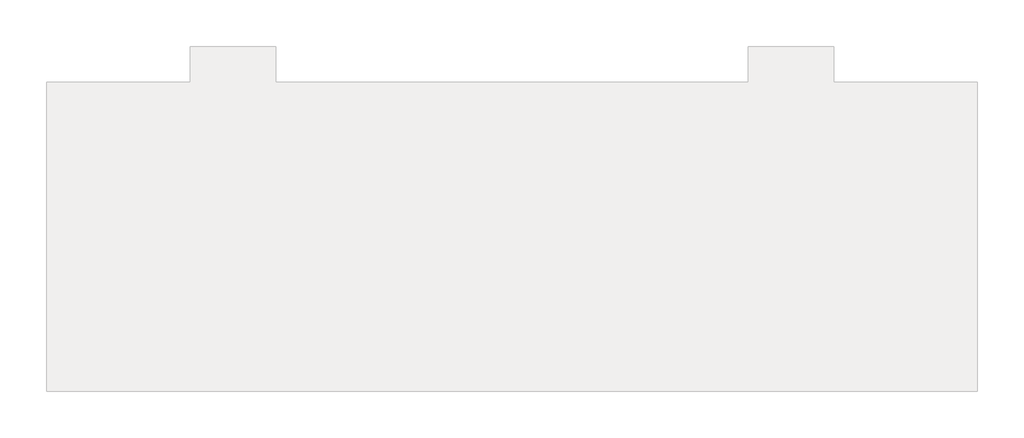
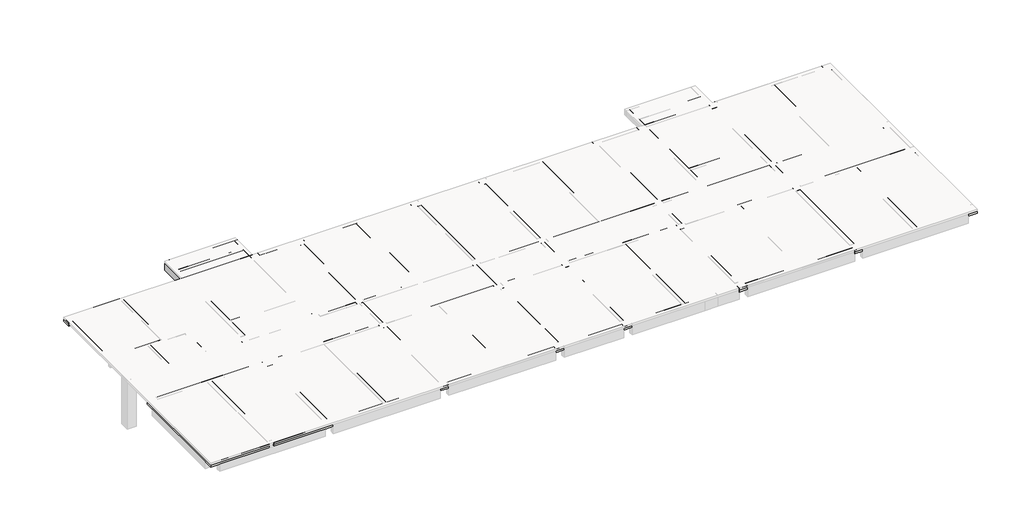
# One storey, part 2 of 3: 10 beams, 1 slab.
"""IFC4 building model written with IfcOpenShell, lengths in millimetres."""

from ifc_helpers import new_model, si_unit, origin, place, context, project, spatial, faceted_brep, element, save

model = new_model("IFC4")

# Units and contexts
model_context = context("Model", 3, world=origin())
ifc_project = project(units=[si_unit("LENGTHUNIT", "METRE", prefix="MILLI")], contexts=[model_context])

# Site, building, storey
site = spatial("IfcSite", under=ifc_project)
building = spatial("IfcBuilding", under=site)
storey = spatial("IfcBuildingStorey", under=building, Elevation=4000.0)

# Beams
placement = place(None, origin())
element("IfcBeam", 1, at=placement, inside=storey, context=model_context, shape_type="Brep", body=[
    faceted_brep([(-10280.1125676, 12943.5678722, 4000.0), (-10280.1125676, 13193.5678722, 4000.0), (-15430.1125676, 13193.5678722, 4000.0), (-15430.1125676, 12943.5678722, 4000.0), (-10530.1125676, 12943.5678722, 4000.0), (-10280.1125676, 12943.5678722, 3550.0), (-15430.1125676, 12943.5678722, 3700.0), (-15430.1125676, 12943.5678722, 3550.0), (-10530.1125676, 12943.5678722, 3550.0), (-10280.1125676, 13193.5678722, 3550.0), (-15430.1125676, 13193.5678722, 3550.0)], [[[0, 1, 2, 3, 4]], [[5, 0, 4, 3, 6, 7, 8]], [[9, 5, 8, 7, 10]], [[1, 9, 10, 2]], [[1, 0, 5, 9]], [[3, 2, 10, 7, 6]]]),
])
element("IfcBeam", 2, at=placement, inside=storey, context=model_context, shape_type="Brep", body=[
    faceted_brep([(-10530.1125676, 11643.5678724, 4000.0), (-10530.1125676, 11893.5678724, 4000.0), (-15430.1125676, 11893.5678724, 4000.0), (-15430.1125676, 11643.5678724, 4000.0), (-10530.1125676, 11643.5678724, 3550.0), (-10530.1125676, 11643.5678724, 3700.0), (-15430.1125676, 11643.5678724, 3700.0), (-15430.1125676, 11643.5678724, 3550.0), (-10530.1125676, 11893.5678724, 3550.0), (-15430.1125676, 11893.5678724, 3550.0), (-10530.1125676, 11893.5678724, 3700.0), (-15430.1125676, 11893.5678724, 3700.0)], [[[0, 1, 2, 3]], [[4, 5, 0, 3, 6, 7]], [[8, 4, 7, 9]], [[1, 10, 8, 9, 11, 2]], [[1, 0, 5, 4, 8, 10]], [[3, 2, 11, 9, 7, 6]]]),
])
element("IfcBeam", 3, at=placement, inside=storey, context=model_context, shape_type="Brep", body=[
    faceted_brep([(-10530.1125676, 10893.5678722, 4000.0), (-10280.1125676, 10893.5678722, 4000.0), (-10280.1125676, 12943.5678722, 4000.0), (-10530.1125676, 12943.5678722, 4000.0), (-10530.1125676, 11893.5678724, 4000.0), (-10530.1125676, 11643.5678724, 4000.0), (-10530.1125676, 10893.5678722, 3550.0), (-10530.1125676, 10893.5678722, 3700.0), (-10530.1125676, 12943.5678722, 3700.0), (-10530.1125676, 12943.5678722, 3550.0), (-10530.1125676, 11893.5678724, 3550.0), (-10530.1125676, 11643.5678724, 3550.0), (-10280.1125676, 10893.5678722, 3550.0), (-10280.1125676, 12943.5678722, 3550.0)], [[[0, 1, 2, 3, 4, 5]], [[6, 7, 0, 5, 4, 3, 8, 9, 10, 11]], [[12, 6, 11, 10, 9, 13]], [[1, 12, 13, 2]], [[3, 2, 13, 9, 8]], [[1, 0, 7, 6, 12]]]),
])
element("IfcBeam", 4, at=placement, inside=storey, context=model_context, shape_type="Brep", body=[
    faceted_brep([(-10530.1125676, 10643.5678722, 4000.0), (-10530.1125676, 10893.5678722, 4000.0), (-15430.1125676, 10893.5678722, 4000.0), (-15430.1125676, 10643.5678722, 4000.0), (-10530.1125676, 10643.5678722, 3500.0), (-10530.1125676, 10643.5678722, 3700.0), (-15430.1125676, 10643.5678722, 3700.0), (-15430.1125676, 10643.5678722, 3500.0), (-10530.1125676, 10893.5678722, 3500.0), (-15430.1125676, 10893.5678722, 3500.0), (-10530.1125676, 10893.5678722, 3700.0), (-15430.1125676, 10893.5678722, 3700.0)], [[[0, 1, 2, 3]], [[4, 5, 0, 3, 6, 7]], [[8, 4, 7, 9]], [[1, 10, 8, 9, 11, 2]], [[2, 11, 9, 7, 6, 3]], [[1, 0, 5, 4, 8, 10]]]),
])
element("IfcBeam", 5, at=placement, inside=storey, context=model_context, shape_type="Brep", body=[
    faceted_brep([(-7080.1125676, 10593.5678722, 4000.0), (-7080.1125676, 10893.5678722, 4000.0), (-9880.1125676, 10893.5678722, 4000.0), (-9880.1125676, 10593.5678722, 4000.0), (-7080.1125676, 10593.5678722, 3100.0), (-7080.1125676, 10593.5678722, 3700.0), (-9880.1125676, 10593.5678722, 3700.0), (-9880.1125676, 10593.5678722, 3100.0), (-7080.1125676, 10893.5678722, 3100.0), (-9880.1125676, 10893.5678722, 3100.0), (-7080.1125676, 10893.5678722, 3700.0), (-9880.1125676, 10893.5678722, 3700.0)], [[[0, 1, 2, 3]], [[4, 5, 0, 3, 6, 7]], [[8, 4, 7, 9]], [[1, 10, 8, 9, 11, 2]], [[2, 11, 9, 7, 6, 3]], [[1, 0, 5, 4, 8, 10]]]),
])
element("IfcBeam", 6, at=placement, inside=storey, context=model_context, shape_type="Brep", body=[
    faceted_brep([(1919.8874324, 10593.5678722, 4000.0), (1919.8874324, 10893.5678722, 4000.0), (-6430.1125676, 10893.5678722, 4000.0), (-6430.1125676, 10593.5678722, 4000.0), (1919.8874324, 10593.5678722, 3100.0), (1919.8874324, 10593.5678722, 3700.0), (-6430.1125676, 10593.5678722, 3700.0), (-6430.1125676, 10593.5678722, 3100.0), (1919.8874324, 10893.5678722, 3100.0), (-6430.1125676, 10893.5678722, 3100.0), (1919.8874324, 10893.5678722, 3700.0), (-6430.1125676, 10893.5678722, 3700.0)], [[[0, 1, 2, 3]], [[4, 5, 0, 3, 6, 7]], [[8, 4, 7, 9]], [[1, 10, 8, 9, 11, 2]], [[2, 11, 9, 7, 6, 3]], [[1, 0, 5, 4, 8, 10]]]),
])
element("IfcBeam", 7, at=placement, inside=storey, context=model_context, shape_type="Brep", body=[
    faceted_brep([(-15780.1125676, 10893.5678722, 4000.0), (-15430.1125676, 10893.5678722, 4000.0), (-15430.1125676, 11643.5678724, 4000.0), (-15430.1125676, 11893.5678724, 4000.0), (-15430.1125676, 12943.5678722, 4000.0), (-15430.1125676, 13193.5678722, 4000.0), (-15780.1125676, 13193.5678722, 4000.0), (-15780.1125676, 10893.5678722, 3250.0), (-15780.1125676, 13193.5678722, 3250.0), (-15430.1125676, 10893.5678722, 3250.0), (-15430.1125676, 13193.5678722, 3250.0), (-15430.1125676, 10893.5678722, 3700.0), (-15430.1125676, 13193.5678722, 3550.0)], [[[0, 1, 2, 3, 4, 5, 6]], [[7, 0, 6, 8]], [[9, 7, 8, 10]], [[1, 11, 9, 10, 12, 5, 4, 3, 2]], [[1, 0, 7, 9, 11]], [[6, 5, 12, 10, 8]]]),
])
element("IfcBeam", 8, at=placement, inside=storey, context=model_context, shape_type="Brep", body=[
    faceted_brep([(-2130.1125676, 10568.5678722, 4000.0), (-2130.1125676, 10568.5678722, 3700.0), (-2130.1125676, 10568.5678722, 3300.0), (-2380.1125676, 10568.5678722, 3300.0), (-2380.1125676, 10568.5678722, 3700.0), (-2380.1125676, 10568.5678722, 4000.0), (-2380.1125676, 2568.5678722, 4000.0), (-2130.1125676, 2568.5678722, 4000.0), (-2380.1125676, 2568.5678722, 3300.0), (-2380.1125676, 2568.5678722, 3700.0), (-2130.1125676, 2568.5678722, 3300.0), (-2130.1125676, 2568.5678722, 3700.0)], [[[0, 1, 2, 3, 4, 5]], [[0, 5, 6, 7]], [[5, 4, 3, 8, 9, 6]], [[3, 2, 10, 8]], [[2, 1, 0, 7, 11, 10]], [[7, 6, 9, 8, 10, 11]]]),
])
element("IfcBeam", 9, at=placement, inside=storey, context=model_context, shape_type="Brep", body=[
    faceted_brep([(2494.8874324, 2318.5678722, 4000.0), (2244.8874324, 2318.5678722, 4000.0), (2244.8874324, -381.4321278, 4000.0), (2494.8874324, -381.4321278, 4000.0), (2494.8874324, 2318.5678722, 3250.0), (2494.8874324, 2318.5678722, 3700.0), (2494.8874324, -381.4321278, 3700.0), (2494.8874324, -381.4321278, 3250.0), (2244.8874324, 2318.5678722, 3250.0), (2244.8874324, -381.4321278, 3250.0), (2244.8874324, 2318.5678722, 3700.0), (2244.8874324, -381.4321278, 3700.0)], [[[0, 1, 2, 3]], [[4, 5, 0, 3, 6, 7]], [[8, 4, 7, 9]], [[1, 10, 8, 9, 11, 2]], [[2, 11, 9, 7, 6, 3]], [[1, 0, 5, 4, 8, 10]]]),
])
element("IfcBeam", 10, ObjectType="KL4,250,750", at=placement, inside=storey, context=model_context, shape_type="Brep", body=[
    faceted_brep([(-6630.1125676, 10243.5678722, 4000.0), (-6880.1125676, 10243.5678722, 4000.0), (-6880.1125676, 2918.5678722, 4000.0), (-6630.1125676, 2918.5678722, 4000.0), (-6630.1125676, 10243.5678722, 3250.0), (-6630.1125676, 10243.5678722, 3700.0), (-6630.1125676, 2918.5678722, 3700.0), (-6630.1125676, 2918.5678722, 3250.0), (-6880.1125676, 10243.5678722, 3250.0), (-6880.1125676, 2918.5678722, 3250.0), (-6880.1125676, 10243.5678722, 3700.0), (-6880.1125676, 2918.5678722, 3700.0)], [[[0, 1, 2, 3]], [[4, 5, 0, 3, 6, 7]], [[8, 4, 7, 9]], [[1, 10, 8, 9, 11, 2]], [[1, 0, 5, 4, 8, 10]], [[2, 11, 9, 7, 6, 3]]]),
])

# Slab
element("IfcSlab", 11, at=placement, inside=storey, context=model_context, shape_type="Brep", body=[
    faceted_brep([(-10530.1125676, 11643.5678724, 3700.0), (-10530.1125676, 10893.5678722, 3700.0), (-15430.1125676, 10893.5678722, 3700.0), (-15430.1125676, 11643.5678724, 3700.0), (-21755.1125676, 2668.5678722, 3700.0), (-21555.1125676, 2668.5678722, 3700.0), (-21555.1125676, 5118.5678722, 3700.0), (-18880.1125676, 5118.5678722, 3700.0), (-18880.1125676, 2643.5678722, 3700.0), (-18680.1125676, 2643.5678722, 3700.0), (-18680.1125676, 5118.5678722, 3700.0), (-15780.1125676, 5118.5678722, 3700.0), (-15780.1125676, 4973.5678722, 3700.0), (-15780.1125676, 4723.5678722, 3700.0), (-15780.1125676, 2918.5678722, 3700.0), (-15430.1125676, 2918.5678722, 3700.0), (-15430.1125676, 4723.5678722, 3700.0), (-10530.1125676, 4723.5678722, 3700.0), (-10530.1125676, 2913.5678722, 3700.0), (-10280.1125676, 2913.5678722, 3700.0), (-10280.1125676, 10243.5678722, 3700.0), (-10530.1125676, 10243.5678722, 3700.0), (-10530.1125676, 4973.5678722, 3700.0), (-15430.1125676, 4973.5678722, 3700.0), (-15430.1125676, 10243.5678722, 3700.0), (-15780.1125676, 10243.5678722, 3700.0), (-15780.1125676, 5318.5678722, 3700.0), (-20455.1125676, 5318.5678722, 3700.0), (-20455.1125676, 10893.5678722, 3700.0), (-16080.1125676, 10893.5678722, 3700.0), (-15430.1125676, 10643.5678722, 3700.0), (-10530.1125676, 10643.5678722, 3700.0), (-9880.1125676, 10893.5678722, 3700.0), (-9880.1125676, 10593.5678722, 3700.0), (-7080.1125676, 10593.5678722, 3700.0), (-7080.1125676, 10893.5678722, 3700.0), (-6430.1125676, 10893.5678722, 3700.0), (-6430.1125676, 10593.5678722, 3700.0), (1919.8874324, 10593.5678722, 3700.0), (1919.8874324, 10893.5678722, 3700.0), (2569.8874324, 10893.5678722, 3700.0), (2569.8874324, 10593.5678722, 3700.0), (7219.8874324, 10593.5678722, 3700.0), (7219.8874324, 10893.5678722, 3700.0), (7869.8874324, 10893.5678722, 3700.0), (7869.8874324, 10593.5678722, 3700.0), (11919.8874324, 10593.5678722, 3700.0), (11919.8874324, 2568.5678722, 3700.0), (7819.8874324, 2568.5678722, 3700.0), (7819.8874324, 2318.5678722, 3700.0), (11919.8874324, 2318.5678722, 3700.0), (12169.8874324, 2318.5678722, 3700.0), (16259.8874324, 2318.5678722, 3700.0), (16259.8874324, 2568.5678722, 3700.0), (12169.8874324, 2568.5678722, 3700.0), (12169.8874324, 10593.5678722, 3700.0), (16219.8874324, 10593.5678722, 3700.0), (16219.8874324, 10893.5678722, 3700.0), (16869.8874324, 10893.5678722, 3700.0), (16869.8874324, 10593.5678722, 3700.0), (19669.8874324, 10593.5678722, 3700.0), (19669.8874324, 10893.5678722, 3700.0), (20319.8874324, 10893.5678722, 3700.0), (20319.8874324, 10643.5678722, 3700.0), (25219.8874324, 10643.5678722, 3700.0), (25219.8874324, 10893.5678722, 3700.0), (25869.8874324, 10893.5678722, 3700.0), (25869.8874324, 10593.5678722, 3700.0), (29844.8874324, 10593.5678722, 3700.0), (29844.8874324, 2568.5678722, 3700.0), (25794.8874324, 2568.5678722, 3700.0), (25794.8874324, 2318.5678722, 3700.0), (29844.8874324, 2318.5678722, 3700.0), (30244.8874324, 2318.5678722, 3700.0), (34094.8874324, 2318.5678722, 3700.0), (34094.8874324, 2568.5678722, 3700.0), (30244.8874324, 2568.5678722, 3700.0), (30244.8874324, 10593.5678722, 3700.0), (34094.8874324, 10593.5678722, 3700.0), (34094.8874324, 10893.5678722, 3700.0), (34794.8874324, 10893.5678722, 3700.0), (34794.8874324, 10193.5678722, 3700.0), (34494.8874324, 10193.5678722, 3700.0), (34494.8874324, 3018.5678722, 3700.0), (34794.8874324, 3018.5678722, 3700.0), (34794.8874324, 2318.5678722, 3700.0), (34494.8874324, 2318.5678722, 3700.0), (34494.8874324, -381.4321278, 3700.0), (34794.8874324, -381.4321278, 3700.0), (34794.8874324, -1081.4321278, 3700.0), (34494.8874324, -1081.4321278, 3700.0), (34494.8874324, -8256.4321278, 3700.0), (34794.8874324, -8256.4321278, 3700.0), (34794.8874324, -8956.4321278, 3700.0), (34094.8874324, -8956.4321278, 3700.0), (34094.8874324, -8656.4321278, 3700.0), (30219.8874324, -8656.4321278, 3700.0), (30219.8874324, -631.4321278, 3700.0), (34094.8874324, -631.4321278, 3700.0), (34094.8874324, -381.4321278, 3700.0), (30219.8874324, -381.4321278, 3700.0), (29869.8874324, -381.4321278, 3700.0), (25814.8874324, -381.4321278, 3700.0), (25814.8874324, -631.4321278, 3700.0), (29869.8874324, -631.4321278, 3700.0), (29869.8874324, -8656.4321278, 3700.0), (25869.8874324, -8656.4321278, 3700.0), (25869.8874324, -8956.4321278, 3700.0), (25219.8874324, -8956.4321278, 3700.0), (25219.8874324, -8656.4321278, 3700.0), (21169.8874324, -8656.4321278, 3700.0), (21169.8874324, -631.4321278, 3700.0), (25219.8874324, -631.4321278, 3700.0), (25219.8874324, -381.4321278, 3700.0), (25569.8874324, -381.4321278, 3700.0), (25569.8874324, 2318.5678722, 3700.0), (25219.8874324, 2318.5678722, 3700.0), (25219.8874324, 2568.5678722, 3700.0), (20319.8874324, 2568.5678722, 3700.0), (20319.8874324, 2318.5678722, 3700.0), (21169.8874324, -381.4321278, 3700.0), (20919.8874324, -381.4321278, 3700.0), (16839.8874324, -381.4321278, 3700.0), (16839.8874324, -631.4321278, 3700.0), (20919.8874324, -631.4321278, 3700.0), (20919.8874324, -8656.4321278, 3700.0), (16869.8874324, -8656.4321278, 3700.0), (16869.8874324, -8956.4321278, 3700.0), (16219.8874324, -8956.4321278, 3700.0), (16219.8874324, -8656.4321278, 3700.0), (12169.8874324, -8656.4321278, 3700.0), (12169.8874324, -631.4321278, 3700.0), (16244.8874324, -631.4321278, 3700.0), (16244.8874324, -381.4321278, 3700.0), (12169.8874324, -381.4321278, 3700.0), (11919.8874324, -381.4321278, 3700.0), (7819.8874324, -381.4321278, 3700.0), (7819.8874324, -631.4321278, 3700.0), (11919.8874324, -631.4321278, 3700.0), (11919.8874324, -8656.4321278, 3700.0), (7869.8874324, -8656.4321278, 3700.0), (7869.8874324, -8956.4321278, 3700.0), (7219.8874324, -8956.4321278, 3700.0), (7219.8874324, -8656.4321278, 3700.0), (2569.8874324, -8656.4321278, 3700.0), (2569.8874324, -8956.4321278, 3700.0), (1919.8874324, -8956.4321278, 3700.0), (1919.8874324, -8656.4321278, 3700.0), (-2130.1125676, -8656.4321278, 3700.0), (-2130.1125676, -631.4321278, 3700.0), (1979.8874324, -631.4321278, 3700.0), (1979.8874324, -381.4321278, 3700.0), (-2130.1125676, -381.4321278, 3700.0), (-2380.1125676, -381.4321278, 3700.0), (-6460.1125676, -381.4321278, 3700.0), (-6460.1125676, -631.4321278, 3700.0), (-2380.1125676, -631.4321278, 3700.0), (-2380.1125676, -8656.4321278, 3700.0), (-6430.1125676, -8656.4321278, 3700.0), (-6430.1125676, -8956.4321278, 3700.0), (-7080.1125676, -8956.4321278, 3700.0), (-7080.1125676, -8656.4321278, 3700.0), (-11130.1125676, -8656.4321278, 3700.0), (-11130.1125676, -631.4321278, 3700.0), (-7050.1125676, -631.4321278, 3700.0), (-7050.1125676, -381.4321278, 3700.0), (-11130.1125676, -381.4321278, 3700.0), (-11380.1125676, -381.4321278, 3700.0), (-15430.1125676, -381.4321278, 3700.0), (-15430.1125676, -631.4321278, 3700.0), (-11380.1125676, -631.4321278, 3700.0), (-11380.1125676, -8656.4321278, 3700.0), (-15430.1125676, -8656.4321278, 3700.0), (-15430.1125676, -8956.4321278, 3700.0), (-16080.1125676, -8956.4321278, 3700.0), (-20080.1125676, -8956.4321278, 3700.0), (-20080.1125676, -631.4321278, 3700.0), (-16025.1125676, -631.4321278, 3700.0), (-16025.1125676, -381.4321278, 3700.0), (-20080.1125676, -381.4321278, 3700.0), (-20430.1125676, -381.4321278, 3700.0), (-24305.1125676, -381.4321278, 3700.0), (-24305.1125676, -631.4321278, 3700.0), (-20430.1125676, -631.4321278, 3700.0), (-20430.1125676, -8956.4321278, 3700.0), (-24305.1125676, -8956.4321278, 3700.0), (-25005.1125676, -8956.4321278, 3700.0), (-25005.1125676, -8256.4321278, 3700.0), (-25005.1125676, -1081.4321278, 3700.0), (-25005.1125676, -381.4321278, 3700.0), (-24705.1125676, -381.4321278, 3700.0), (-24705.1125676, 2318.5678722, 3700.0), (-25005.1125676, 2318.5678722, 3700.0), (-25005.1125676, 3018.5678722, 3700.0), (-24705.1125676, 3018.5678722, 3700.0), (-24705.1125676, 5118.5678722, 3700.0), (-21755.1125676, 5118.5678722, 3700.0), (-24305.1125676, 2318.5678722, 3700.0), (-16025.1125676, 2318.5678722, 3700.0), (-16025.1125676, 2568.5678722, 3700.0), (-24305.1125676, 2568.5678722, 3700.0), (-15430.1125676, 2318.5678722, 3700.0), (-10530.1125676, 2318.5678722, 3700.0), (-10530.1125676, 2568.5678722, 3700.0), (-15430.1125676, 2568.5678722, 3700.0), (-9935.1125676, 2318.5678722, 3700.0), (-7055.1125676, 2318.5678722, 3700.0), (-7055.1125676, 2568.5678722, 3700.0), (-9935.1125676, 2568.5678722, 3700.0), (-6460.1125676, 2568.5678722, 3700.0), (-6460.1125676, 2318.5678722, 3700.0), (-2380.1125676, 2318.5678722, 3700.0), (-2130.1125676, 2318.5678722, 3700.0), (1979.8874324, 2318.5678722, 3700.0), (1979.8874324, 2568.5678722, 3700.0), (-2130.1125676, 2568.5678722, 3700.0), (-2130.1125676, 10568.5678722, 3700.0), (-2380.1125676, 10568.5678722, 3700.0), (-2380.1125676, 2568.5678722, 3700.0), (2569.8874324, 2318.5678722, 3700.0), (7219.8874324, 2318.5678722, 3700.0), (7219.8874324, 2568.5678722, 3700.0), (2569.8874324, 2568.5678722, 3700.0), (16829.8874324, 2318.5678722, 3700.0), (19729.8874324, 2318.5678722, 3700.0), (19729.8874324, 2568.5678722, 3700.0), (16829.8874324, 2568.5678722, 3700.0), (2569.8874324, -631.4321278, 3700.0), (7219.8874324, -631.4321278, 3700.0), (7219.8874324, -381.4321278, 3700.0), (2569.8874324, -381.4321278, 3700.0), (-15930.1125676, -981.4321278, 3700.0), (-15930.1125676, -8306.4321278, 3700.0), (-15580.1125676, -8306.4321278, 3700.0), (-15580.1125676, -981.4321278, 3700.0), (-6880.1125676, -981.4321278, 3700.0), (-6880.1125676, -8306.4321278, 3700.0), (-6630.1125676, -8306.4321278, 3700.0), (-6630.1125676, -981.4321278, 3700.0), (-6630.1125676, -381.4321278, 3700.0), (-6630.1125676, 2318.5678722, 3700.0), (-6880.1125676, 2318.5678722, 3700.0), (-6880.1125676, -381.4321278, 3700.0), (-6630.1125676, 2918.5678722, 3700.0), (-6630.1125676, 10243.5678722, 3700.0), (-6880.1125676, 10243.5678722, 3700.0), (-6880.1125676, 2918.5678722, 3700.0), (2469.8874324, -8306.4321278, 3700.0), (2469.8874324, -966.4321278, 3700.0), (2219.8874324, -966.4321278, 3700.0), (2219.8874324, -8306.4321278, 3700.0), (7294.8874324, -966.4321278, 3700.0), (7294.8874324, -8306.4321278, 3700.0), (7544.8874324, -8306.4321278, 3700.0), (7544.8874324, -966.4321278, 3700.0), (2494.8874324, -381.4321278, 3700.0), (2494.8874324, 2318.5678722, 3700.0), (2244.8874324, 2318.5678722, 3700.0), (2244.8874324, -381.4321278, 3700.0), (2244.8874324, 10243.5678722, 3700.0), (2244.8874324, 2918.5678722, 3700.0), (2494.8874324, 2918.5678722, 3700.0), (2494.8874324, 10243.5678722, 3700.0), (7544.8874324, -381.4321278, 3700.0), (7544.8874324, 2318.5678722, 3700.0), (7294.8874324, 2318.5678722, 3700.0), (7294.8874324, -381.4321278, 3700.0), (7544.8874324, 2913.5678722, 3700.0), (7544.8874324, 10243.5678722, 3700.0), (7294.8874324, 10243.5678722, 3700.0), (7294.8874324, 2913.5678722, 3700.0), (16494.8874324, -8306.4321278, 3700.0), (16494.8874324, -966.4321278, 3700.0), (16244.8874324, -966.4321278, 3700.0), (16244.8874324, -8306.4321278, 3700.0), (16669.8874324, -381.4321278, 3700.0), (16669.8874324, 2318.5678722, 3700.0), (16419.8874324, 2318.5678722, 3700.0), (16419.8874324, -381.4321278, 3700.0), (16669.8874324, 2918.5678722, 3700.0), (16669.8874324, 10243.5678722, 3700.0), (16419.8874324, 10243.5678722, 3700.0), (16419.8874324, 2918.5678722, 3700.0), (20319.8874324, 10268.5678722, 3700.0), (20069.8874324, 10268.5678722, 3700.0), (20069.8874324, 4973.5678722, 3700.0), (20069.8874324, 4723.5678722, 3700.0), (20069.8874324, 2908.5678722, 3700.0), (20319.8874324, 2908.5678722, 3700.0), (20319.8874324, 4723.5678722, 3700.0), (25219.8874324, 4723.5678722, 3700.0), (25219.8874324, 2923.5678722, 3700.0), (25569.8874324, 2923.5678722, 3700.0), (25569.8874324, 10243.5678722, 3700.0), (25219.8874324, 10243.5678722, 3700.0), (25219.8874324, 4973.5678722, 3700.0), (20319.8874324, 4973.5678722, 3700.0), (25219.8874324, -966.4321278, 3700.0), (25219.8874324, -8306.4321278, 3700.0), (25569.8874324, -8306.4321278, 3700.0), (25569.8874324, -966.4321278, 3700.0), (20319.8874324, 11643.5678722, 3700.0), (25219.8874324, 11643.5678722, 3700.0), (-10530.1125676, 10893.5678722, 4000.0), (-10530.1125676, 11643.5678724, 4000.0), (-15430.1125676, 11643.5678724, 4000.0), (-15430.1125676, 10893.5678722, 4000.0), (-21555.1125676, 2668.5678722, 4000.0), (-21755.1125676, 2668.5678722, 4000.0), (-21755.1125676, 5118.5678722, 4000.0), (-24705.1125676, 5118.5678722, 4000.0), (-24705.1125676, 3018.5678722, 4000.0), (-25005.1125676, 3018.5678722, 4000.0), (-25005.1125676, 2318.5678722, 4000.0), (-24705.1125676, 2318.5678722, 4000.0), (-24705.1125676, -381.4321278, 4000.0), (-25005.1125676, -381.4321278, 4000.0), (-25005.1125676, -8956.4321278, 4000.0), (-20430.1125676, -8956.4321278, 4000.0), (-20430.1125676, -8656.4321278, 4000.0), (-20430.1125676, -631.4321278, 4000.0), (-24305.1125676, -631.4321278, 4000.0), (-24305.1125676, -381.4321278, 4000.0), (-20430.1125676, -381.4321278, 4000.0), (-20080.1125676, -381.4321278, 4000.0), (-16030.1125676, -381.4321278, 4000.0), (-16025.1125676, -381.4321278, 4000.0), (-16025.1125676, -631.4321278, 4000.0), (-16030.1125676, -631.4321278, 4000.0), (-20080.1125676, -631.4321278, 4000.0), (-20080.1125676, -8656.4321278, 4000.0), (-20080.1125676, -8956.4321278, 4000.0), (-15430.1125676, -8956.4321278, 4000.0), (-15430.1125676, -8656.4321278, 4000.0), (-11380.1125676, -8656.4321278, 4000.0), (-11380.1125676, -631.4321278, 4000.0), (-15430.1125676, -631.4321278, 4000.0), (-15430.1125676, -381.4321278, 4000.0), (-11380.1125676, -381.4321278, 4000.0), (-11130.1125676, -381.4321278, 4000.0), (-7055.1125676, -381.4321278, 4000.0), (-7050.1125676, -381.4321278, 4000.0), (-7050.1125676, -631.4321278, 4000.0), (-7055.1125676, -631.4321278, 4000.0), (-11130.1125676, -631.4321278, 4000.0), (-11130.1125676, -8656.4321278, 4000.0), (-7080.1125676, -8656.4321278, 4000.0), (-7080.1125676, -8956.4321278, 4000.0), (-6430.1125676, -8956.4321278, 4000.0), (-6430.1125676, -8656.4321278, 4000.0), (-2380.1125676, -8656.4321278, 4000.0), (-2380.1125676, -631.4321278, 4000.0), (-6455.1125676, -631.4321278, 4000.0), (-6460.1125676, -631.4321278, 4000.0), (-6460.1125676, -381.4321278, 4000.0), (-6455.1125676, -381.4321278, 4000.0), (-2380.1125676, -381.4321278, 4000.0), (-2130.1125676, -381.4321278, 4000.0), (1969.8874324, -381.4321278, 4000.0), (1979.8874324, -381.4321278, 4000.0), (1979.8874324, -631.4321278, 4000.0), (1969.8874324, -631.4321278, 4000.0), (-2130.1125676, -631.4321278, 4000.0), (-2130.1125676, -8656.4321278, 4000.0), (1919.8874324, -8656.4321278, 4000.0), (1919.8874324, -8956.4321278, 4000.0), (2569.8874324, -8956.4321278, 4000.0), (2569.8874324, -8656.4321278, 4000.0), (7219.8874324, -8656.4321278, 4000.0), (7219.8874324, -8956.4321278, 4000.0), (7869.8874324, -8956.4321278, 4000.0), (7869.8874324, -8656.4321278, 4000.0), (11919.8874324, -8656.4321278, 4000.0), (11919.8874324, -631.4321278, 4000.0), (7819.8874324, -631.4321278, 4000.0), (7819.8874324, -381.4321278, 4000.0), (11919.8874324, -381.4321278, 4000.0), (12169.8874324, -381.4321278, 4000.0), (16244.8874324, -381.4321278, 4000.0), (16244.8874324, -631.4321278, 4000.0), (12169.8874324, -631.4321278, 4000.0), (12169.8874324, -8656.4321278, 4000.0), (13544.8874324, -8656.4321278, 4000.0), (14544.8874324, -8656.4321278, 4000.0), (16219.8874324, -8656.4321278, 4000.0), (16219.8874324, -8956.4321278, 4000.0), (16869.8874324, -8956.4321278, 4000.0), (16869.8874324, -8656.4321278, 4000.0), (20919.8874324, -8656.4321278, 4000.0), (20919.8874324, -631.4321278, 4000.0), (16844.8874324, -631.4321278, 4000.0), (16839.8874324, -631.4321278, 4000.0), (16839.8874324, -381.4321278, 4000.0), (16844.8874324, -381.4321278, 4000.0), (20919.8874324, -381.4321278, 4000.0), (21169.8874324, -381.4321278, 4000.0), (25219.8874324, -381.4321278, 4000.0), (25219.8874324, 2318.5678722, 4000.0), (20319.8874324, 2318.5678722, 4000.0), (20319.8874324, 2568.5678722, 4000.0), (25219.8874324, 2568.5678722, 4000.0), (25569.8874324, 2318.5678722, 4000.0), (25569.8874324, -381.4321278, 4000.0), (25219.8874324, -631.4321278, 4000.0), (21169.8874324, -631.4321278, 4000.0), (21169.8874324, -8656.4321278, 4000.0), (25219.8874324, -8656.4321278, 4000.0), (25219.8874324, -8956.4321278, 4000.0), (25869.8874324, -8956.4321278, 4000.0), (25869.8874324, -8656.4321278, 4000.0), (29869.8874324, -8656.4321278, 4000.0), (29869.8874324, -631.4321278, 4000.0), (25819.8874324, -631.4321278, 4000.0), (25814.8874324, -631.4321278, 4000.0), (25814.8874324, -381.4321278, 4000.0), (25819.8874324, -381.4321278, 4000.0), (29869.8874324, -381.4321278, 4000.0), (30219.8874324, -381.4321278, 4000.0), (34094.8874324, -381.4321278, 4000.0), (34094.8874324, -631.4321278, 4000.0), (30219.8874324, -631.4321278, 4000.0), (30219.8874324, -8656.4321278, 4000.0), (34094.8874324, -8656.4321278, 4000.0), (34094.8874324, -8956.4321278, 4000.0), (34794.8874324, -8956.4321278, 4000.0), (34794.8874324, -8256.4321278, 4000.0), (34494.8874324, -8256.4321278, 4000.0), (34494.8874324, -1081.4321278, 4000.0), (34794.8874324, -1081.4321278, 4000.0), (34794.8874324, -381.4321278, 4000.0), (34494.8874324, -381.4321278, 4000.0), (34494.8874324, 2318.5678722, 4000.0), (34794.8874324, 2318.5678722, 4000.0), (34794.8874324, 3018.5678722, 4000.0), (34494.8874324, 3018.5678722, 4000.0), (34494.8874324, 10193.5678722, 4000.0), (34794.8874324, 10193.5678722, 4000.0), (34794.8874324, 10893.5678722, 4000.0), (34094.8874324, 10893.5678722, 4000.0), (34094.8874324, 10593.5678722, 4000.0), (30244.8874324, 10593.5678722, 4000.0), (30244.8874324, 2568.5678722, 4000.0), (34094.8874324, 2568.5678722, 4000.0), (34094.8874324, 2318.5678722, 4000.0), (30244.8874324, 2318.5678722, 4000.0), (29844.8874324, 2318.5678722, 4000.0), (25819.8874324, 2318.5678722, 4000.0), (25794.8874324, 2318.5678722, 4000.0), (25794.8874324, 2568.5678722, 4000.0), (25819.8874324, 2568.5678722, 4000.0), (29844.8874324, 2568.5678722, 4000.0), (29844.8874324, 10593.5678722, 4000.0), (25869.8874324, 10593.5678722, 4000.0), (25869.8874324, 10893.5678722, 4000.0), (25569.8874324, 10893.5678722, 4000.0), (25219.8874324, 10893.5678722, 4000.0), (25219.8874324, 10643.5678722, 4000.0), (20319.8874324, 10643.5678722, 4000.0), (20319.8874324, 10893.5678722, 4000.0), (20069.8874324, 10893.5678722, 4000.0), (19669.8874324, 10893.5678722, 4000.0), (19669.8874324, 10593.5678722, 4000.0), (16869.8874324, 10593.5678722, 4000.0), (16869.8874324, 10893.5678722, 4000.0), (16219.8874324, 10893.5678722, 4000.0), (16219.8874324, 10593.5678722, 4000.0), (12169.8874324, 10593.5678722, 4000.0), (12169.8874324, 2568.5678722, 4000.0), (16244.8874324, 2568.5678722, 4000.0), (16259.8874324, 2568.5678722, 4000.0), (16259.8874324, 2318.5678722, 4000.0), (16244.8874324, 2318.5678722, 4000.0), (12169.8874324, 2318.5678722, 4000.0), (11919.8874324, 2318.5678722, 4000.0), (7819.8874324, 2318.5678722, 4000.0), (7819.8874324, 2568.5678722, 4000.0), (11919.8874324, 2568.5678722, 4000.0), (11919.8874324, 10593.5678722, 4000.0), (7869.8874324, 10593.5678722, 4000.0), (7869.8874324, 10893.5678722, 4000.0), (7219.8874324, 10893.5678722, 4000.0), (7219.8874324, 10593.5678722, 4000.0), (2569.8874324, 10593.5678722, 4000.0), (2569.8874324, 10893.5678722, 4000.0), (1919.8874324, 10893.5678722, 4000.0), (1919.8874324, 10593.5678722, 4000.0), (-6430.1125676, 10593.5678722, 4000.0), (-6430.1125676, 10893.5678722, 4000.0), (-7080.1125676, 10893.5678722, 4000.0), (-7080.1125676, 10593.5678722, 4000.0), (-9880.1125676, 10593.5678722, 4000.0), (-9880.1125676, 10893.5678722, 4000.0), (-10280.1125676, 10893.5678722, 4000.0), (-10530.1125676, 10643.5678722, 4000.0), (-15430.1125676, 10643.5678722, 4000.0), (-15780.1125676, 10893.5678722, 4000.0), (-20455.1125676, 10893.5678722, 4000.0), (-20455.1125676, 10593.5678722, 4000.0), (-20455.1125676, 5318.5678722, 4000.0), (-15780.1125676, 5318.5678722, 4000.0), (-15780.1125676, 10243.5678722, 4000.0), (-15430.1125676, 10243.5678722, 4000.0), (-15430.1125676, 4973.5678722, 4000.0), (-10530.1125676, 4973.5678722, 4000.0), (-10530.1125676, 10243.5678722, 4000.0), (-10280.1125676, 10243.5678722, 4000.0), (-10280.1125676, 2918.5678722, 4000.0), (-10280.1125676, 2913.5678722, 4000.0), (-10530.1125676, 2913.5678722, 4000.0), (-10530.1125676, 2918.5678722, 4000.0), (-10530.1125676, 4723.5678722, 4000.0), (-15430.1125676, 4723.5678722, 4000.0), (-15430.1125676, 2918.5678722, 4000.0), (-15780.1125676, 2918.5678722, 4000.0), (-15780.1125676, 4723.5678722, 4000.0), (-15780.1125676, 4973.5678722, 4000.0), (-15780.1125676, 5118.5678722, 4000.0), (-18680.1125676, 5118.5678722, 4000.0), (-18680.1125676, 2643.5678722, 4000.0), (-18880.1125676, 2643.5678722, 4000.0), (-18880.1125676, 5118.5678722, 4000.0), (-21555.1125676, 5118.5678722, 4000.0), (-6460.1125676, 2318.5678722, 4000.0), (-6460.1125676, 2568.5678722, 4000.0), (-6455.1125676, 2568.5678722, 4000.0), (-2380.1125676, 2568.5678722, 4000.0), (-2380.1125676, 10568.5678722, 4000.0), (-2130.1125676, 10568.5678722, 4000.0), (-2130.1125676, 2568.5678722, 4000.0), (1969.8874324, 2568.5678722, 4000.0), (1979.8874324, 2568.5678722, 4000.0), (1979.8874324, 2318.5678722, 4000.0), (1969.8874324, 2318.5678722, 4000.0), (-2130.1125676, 2318.5678722, 4000.0), (-2380.1125676, 2318.5678722, 4000.0), (-6455.1125676, 2318.5678722, 4000.0), (20069.8874324, 10268.5678722, 4000.0), (20319.8874324, 10268.5678722, 4000.0), (20319.8874324, 10243.5678722, 4000.0), (20319.8874324, 4973.5678722, 4000.0), (25219.8874324, 4973.5678722, 4000.0), (25219.8874324, 10243.5678722, 4000.0), (25569.8874324, 10243.5678722, 4000.0), (25569.8874324, 2923.5678722, 4000.0), (25219.8874324, 2923.5678722, 4000.0), (25219.8874324, 4723.5678722, 4000.0), (20319.8874324, 4723.5678722, 4000.0), (20319.8874324, 2918.5678722, 4000.0), (20319.8874324, 2908.5678722, 4000.0), (20069.8874324, 2908.5678722, 4000.0), (20069.8874324, 2918.5678722, 4000.0), (20069.8874324, 4723.5678722, 4000.0), (20069.8874324, 4973.5678722, 4000.0), (20069.8874324, 10243.5678722, 4000.0), (-16025.1125676, 2318.5678722, 4000.0), (-16030.1125676, 2318.5678722, 4000.0), (-24305.1125676, 2318.5678722, 4000.0), (-24305.1125676, 2568.5678722, 4000.0), (-16030.1125676, 2568.5678722, 4000.0), (-16025.1125676, 2568.5678722, 4000.0), (-10530.1125676, 2318.5678722, 4000.0), (-15430.1125676, 2318.5678722, 4000.0), (-15430.1125676, 2568.5678722, 4000.0), (-10530.1125676, 2568.5678722, 4000.0), (-7055.1125676, 2318.5678722, 4000.0), (-9930.1125676, 2318.5678722, 4000.0), (-9935.1125676, 2318.5678722, 4000.0), (-9935.1125676, 2568.5678722, 4000.0), (-9930.1125676, 2568.5678722, 4000.0), (-7055.1125676, 2568.5678722, 4000.0), (7219.8874324, 2318.5678722, 4000.0), (2569.8874324, 2318.5678722, 4000.0), (2569.8874324, 2568.5678722, 4000.0), (7219.8874324, 2568.5678722, 4000.0), (19729.8874324, 2318.5678722, 4000.0), (19719.8874324, 2318.5678722, 4000.0), (16844.8874324, 2318.5678722, 4000.0), (16829.8874324, 2318.5678722, 4000.0), (16829.8874324, 2568.5678722, 4000.0), (16844.8874324, 2568.5678722, 4000.0), (19719.8874324, 2568.5678722, 4000.0), (19729.8874324, 2568.5678722, 4000.0), (7219.8874324, -631.4321278, 4000.0), (2569.8874324, -631.4321278, 4000.0), (2569.8874324, -381.4321278, 4000.0), (7219.8874324, -381.4321278, 4000.0), (-15930.1125676, -8306.4321278, 4000.0), (-15930.1125676, -981.4321278, 4000.0), (-15580.1125676, -981.4321278, 4000.0), (-15580.1125676, -8306.4321278, 4000.0), (-6880.1125676, -8306.4321278, 4000.0), (-6880.1125676, -981.4321278, 4000.0), (-6630.1125676, -981.4321278, 4000.0), (-6630.1125676, -8306.4321278, 4000.0), (-6630.1125676, 2318.5678722, 4000.0), (-6630.1125676, -381.4321278, 4000.0), (-6880.1125676, -381.4321278, 4000.0), (-6880.1125676, 2318.5678722, 4000.0), (-6630.1125676, 10243.5678722, 4000.0), (-6630.1125676, 2918.5678722, 4000.0), (-6880.1125676, 2918.5678722, 4000.0), (-6880.1125676, 10243.5678722, 4000.0), (2469.8874324, -966.4321278, 4000.0), (2469.8874324, -981.4321278, 4000.0), (2469.8874324, -8306.4321278, 4000.0), (2219.8874324, -8306.4321278, 4000.0), (2219.8874324, -981.4321278, 4000.0), (2219.8874324, -966.4321278, 4000.0), (7294.8874324, -8306.4321278, 4000.0), (7294.8874324, -981.4321278, 4000.0), (7294.8874324, -966.4321278, 4000.0), (7544.8874324, -966.4321278, 4000.0), (7544.8874324, -981.4321278, 4000.0), (7544.8874324, -8306.4321278, 4000.0), (2494.8874324, 2318.5678722, 4000.0), (2494.8874324, -381.4321278, 4000.0), (2244.8874324, -381.4321278, 4000.0), (2244.8874324, 2318.5678722, 4000.0), (2244.8874324, 2918.5678722, 4000.0), (2244.8874324, 10243.5678722, 4000.0), (2494.8874324, 10243.5678722, 4000.0), (2494.8874324, 2918.5678722, 4000.0), (7544.8874324, 2318.5678722, 4000.0), (7544.8874324, -381.4321278, 4000.0), (7294.8874324, -381.4321278, 4000.0), (7294.8874324, 2318.5678722, 4000.0), (7544.8874324, 10243.5678722, 4000.0), (7544.8874324, 2918.5678722, 4000.0), (7544.8874324, 2913.5678722, 4000.0), (7294.8874324, 2913.5678722, 4000.0), (7294.8874324, 2918.5678722, 4000.0), (7294.8874324, 10243.5678722, 4000.0), (16494.8874324, -966.4321278, 4000.0), (16494.8874324, -981.4321278, 4000.0), (16494.8874324, -8306.4321278, 4000.0), (16244.8874324, -8306.4321278, 4000.0), (16244.8874324, -981.4321278, 4000.0), (16244.8874324, -966.4321278, 4000.0), (16669.8874324, 2318.5678722, 4000.0), (16669.8874324, -381.4321278, 4000.0), (16419.8874324, -381.4321278, 4000.0), (16419.8874324, 2318.5678722, 4000.0), (16669.8874324, 10243.5678722, 4000.0), (16669.8874324, 2918.5678722, 4000.0), (16419.8874324, 2918.5678722, 4000.0), (16419.8874324, 10243.5678722, 4000.0), (25219.8874324, -8306.4321278, 4000.0), (25219.8874324, -981.4321278, 4000.0), (25219.8874324, -966.4321278, 4000.0), (25569.8874324, -966.4321278, 4000.0), (25569.8874324, -981.4321278, 4000.0), (25569.8874324, -8306.4321278, 4000.0), (20319.8874324, 11643.5678722, 4000.0), (25219.8874324, 11643.5678722, 4000.0)], [[[0, 1, 2, 3]], [[4, 5, 6, 7, 8, 9, 10, 11, 12, 13, 14, 15, 16, 17, 18, 19, 20, 21, 22, 23, 24, 25, 26, 27, 28, 29, 2, 30, 31, 1, 32, 33, 34, 35, 36, 37, 38, 39, 40, 41, 42, 43, 44, 45, 46, 47, 48, 49, 50, 51, 52, 53, 54, 55, 56, 57, 58, 59, 60, 61, 62, 63, 64, 65, 66, 67, 68, 69, 70, 71, 72, 73, 74, 75, 76, 77, 78, 79, 80, 81, 82, 83, 84, 85, 86, 87, 88, 89, 90, 91, 92, 93, 94, 95, 96, 97, 98, 99, 100, 101, 102, 103, 104, 105, 106, 107, 108, 109, 110, 111, 112, 113, 114, 115, 116, 117, 118, 119, 116, 113, 120, 121, 122, 123, 124, 125, 126, 127, 128, 129, 130, 131, 132, 133, 134, 135, 136, 137, 138, 139, 140, 141, 142, 143, 144, 145, 146, 147, 148, 149, 150, 151, 152, 153, 154, 155, 156, 157, 158, 159, 160, 161, 162, 163, 164, 165, 166, 167, 168, 169, 170, 171, 172, 173, 174, 175, 176, 177, 178, 179, 180, 181, 182, 183, 184, 185, 186, 187, 188, 189, 190, 191, 192, 193, 194, 195, 196], [197, 198, 199, 200], [201, 202, 203, 204], [205, 206, 207, 208], [209, 210, 211, 212, 213, 214, 215, 216, 217, 218], [219, 220, 221, 222], [223, 224, 225, 226], [227, 228, 229, 230], [231, 232, 233, 234], [235, 236, 237, 238], [239, 240, 241, 242], [243, 244, 245, 246], [247, 248, 249, 250], [251, 252, 253, 254], [255, 256, 257, 258], [259, 260, 261, 262], [263, 264, 265, 266], [267, 268, 269, 270], [271, 272, 273, 274], [275, 276, 277, 278], [279, 280, 281, 282], [283, 284, 285, 286, 287, 288, 289, 290, 291, 292, 293, 294, 295, 296], [297, 298, 299, 300]], [[62, 301, 302, 65]], [[303, 304, 305, 306]], [[307, 308, 309, 310, 311, 312, 313, 314, 315, 316, 317, 318, 319, 320, 321, 322, 323, 324, 325, 326, 327, 328, 329, 330, 331, 332, 333, 334, 335, 336, 337, 338, 339, 340, 341, 342, 343, 344, 345, 346, 347, 348, 349, 350, 351, 352, 353, 354, 355, 356, 357, 358, 359, 360, 361, 362, 363, 364, 365, 366, 367, 368, 369, 370, 371, 372, 373, 374, 375, 376, 377, 378, 379, 380, 381, 382, 383, 384, 385, 386, 387, 388, 389, 390, 391, 392, 393, 394, 395, 396, 397, 398, 399, 400, 397, 401, 402, 396, 403, 404, 405, 406, 407, 408, 409, 410, 411, 412, 413, 414, 415, 416, 417, 418, 419, 420, 421, 422, 423, 424, 425, 426, 427, 428, 429, 430, 431, 432, 433, 434, 435, 436, 437, 438, 439, 440, 441, 442, 443, 444, 445, 446, 447, 448, 449, 450, 451, 452, 453, 454, 455, 456, 457, 458, 459, 460, 461, 462, 463, 464, 465, 466, 467, 468, 469, 470, 471, 472, 473, 474, 475, 476, 477, 478, 479, 480, 481, 482, 483, 484, 485, 486, 487, 488, 489, 490, 491, 492, 303, 493, 494, 306, 495, 496, 497, 498, 499, 500, 501, 502, 503, 504, 505, 506, 507, 508, 509, 510, 511, 512, 513, 514, 515, 516, 517, 518, 519, 520, 521], [522, 523, 524, 525, 526, 527, 528, 529, 530, 531, 532, 533, 534, 535], [536, 537, 538, 539, 540, 541, 542, 543, 544, 545, 546, 547, 548, 549, 550, 551, 552, 553], [554, 555, 556, 557, 558, 559], [560, 561, 562, 563], [564, 565, 566, 567, 568, 569], [570, 571, 572, 573], [574, 575, 576, 577, 578, 579, 580, 581], [582, 583, 584, 585], [586, 587, 588, 589], [590, 591, 592, 593], [594, 595, 596, 597], [598, 599, 600, 601], [602, 603, 604, 605, 606, 607], [608, 609, 610, 611, 612, 613], [614, 615, 616, 617], [618, 619, 620, 621], [622, 623, 624, 625], [626, 627, 628, 629, 630, 631], [632, 633, 634, 635, 636, 637], [638, 639, 640, 641], [642, 643, 644, 645], [646, 647, 648, 649, 650, 651]], [[652, 458, 455, 653]], [[28, 496, 495, 306, 2, 29]], [[1, 303, 492, 491, 32]], [[35, 488, 487, 36]], [[39, 484, 483, 40]], [[43, 480, 479, 44]], [[57, 464, 463, 58]], [[61, 460, 459, 458, 62]], [[437, 80, 79, 438]], [[65, 455, 454, 453, 66]], [[80, 437, 436, 81]], [[424, 93, 92, 425]], [[428, 89, 88, 429]], [[432, 85, 84, 433]], [[93, 424, 423, 94]], [[317, 186, 185, 184, 318]], [[173, 332, 331, 175, 174]], [[347, 160, 159, 348]], [[365, 146, 145, 366]], [[369, 142, 141, 370]], [[385, 128, 127, 386]], [[407, 108, 107, 408]], [[186, 317, 316, 189, 188, 187]], [[192, 313, 312, 193]], [[304, 0, 3, 305]], [[303, 1, 0, 304]], [[496, 28, 27, 498, 497]], [[309, 196, 195, 310]], [[6, 521, 520, 7]], [[10, 517, 516, 11]], [[307, 5, 4, 308]], [[308, 4, 196, 309]], [[5, 307, 521, 6]], [[498, 27, 26, 499]], [[518, 9, 8, 519]], [[519, 8, 7, 520]], [[9, 518, 517, 10]], [[501, 24, 23, 502]], [[15, 512, 511, 16]], [[25, 500, 499, 26]], [[513, 14, 13, 12, 11, 516, 515, 514]], [[500, 25, 24, 501]], [[14, 513, 512, 15]], [[155, 353, 352, 351, 156]], [[360, 150, 149, 362, 361]], [[354, 154, 153, 152, 151, 359, 358, 357, 356, 355]], [[353, 155, 154, 354]], [[150, 360, 359, 151]], [[342, 164, 163, 344, 343]], [[169, 336, 335, 170]], [[337, 168, 167, 166, 165, 341, 340, 339, 338]], [[336, 169, 168, 337]], [[164, 342, 341, 165]], [[327, 177, 176, 329, 328]], [[182, 321, 320, 183]], [[322, 181, 180, 179, 178, 326, 325, 324, 323]], [[321, 182, 181, 322]], [[177, 327, 326, 178]], [[190, 315, 314, 191]], [[315, 190, 189, 316]], [[191, 314, 313, 192]], [[194, 311, 310, 195]], [[311, 194, 193, 312]], [[333, 172, 171, 334]], [[161, 346, 345, 162]], [[172, 333, 332, 173]], [[346, 161, 160, 347]], [[349, 158, 157, 350]], [[147, 364, 363, 148]], [[158, 349, 348, 159]], [[364, 147, 146, 365]], [[367, 144, 143, 368]], [[144, 367, 366, 145]], [[368, 143, 142, 369]], [[371, 140, 139, 372]], [[129, 384, 383, 382, 381, 130]], [[140, 371, 370, 141]], [[384, 129, 128, 385]], [[109, 406, 405, 110]], [[387, 126, 125, 388]], [[406, 109, 108, 407]], [[126, 387, 386, 127]], [[95, 422, 421, 96]], [[409, 106, 105, 410]], [[422, 95, 94, 423]], [[106, 409, 408, 107]], [[197, 556, 555, 554, 198]], [[557, 200, 199, 559, 558]], [[556, 197, 200, 557]], [[198, 554, 559, 199]], [[201, 561, 560, 202]], [[562, 204, 203, 563]], [[561, 201, 204, 562]], [[202, 560, 563, 203]], [[205, 566, 565, 564, 206]], [[567, 208, 207, 569, 568]], [[206, 564, 569, 207]], [[566, 205, 208, 567]], [[210, 522, 535, 534, 533, 532, 531, 213, 212, 211]], [[523, 209, 218, 525, 524]], [[214, 530, 529, 528, 215]], [[522, 210, 209, 523]], [[213, 531, 530, 214]], [[219, 571, 570, 220]], [[572, 222, 221, 573]], [[571, 219, 222, 572]], [[220, 570, 573, 221]], [[49, 474, 473, 472, 471, 470, 52, 51, 50]], [[53, 469, 468, 467, 54]], [[475, 48, 47, 476]], [[474, 49, 48, 475]], [[52, 470, 469, 53]], [[223, 577, 576, 575, 574, 224]], [[578, 226, 225, 581, 580, 579]], [[577, 223, 226, 578]], [[224, 574, 581, 225]], [[119, 398, 397, 116]], [[399, 118, 117, 400]], [[398, 119, 118, 399]], [[116, 397, 400, 117]], [[71, 447, 446, 445, 444, 443, 74, 73, 72]], [[448, 70, 69, 450, 449]], [[75, 442, 441, 76]], [[74, 443, 442, 75]], [[447, 71, 70, 448]], [[16, 511, 510, 17]], [[502, 23, 22, 503]], [[505, 20, 19, 507, 506]], [[508, 18, 17, 510, 509]], [[21, 504, 503, 22]], [[504, 21, 20, 505]], [[18, 508, 507, 19]], [[30, 494, 493, 31]], [[1, 303, 306, 2]], [[494, 30, 2, 306]], [[303, 1, 31, 493]], [[33, 490, 489, 34]], [[490, 33, 32, 491]], [[34, 489, 488, 35]], [[37, 486, 485, 38]], [[486, 37, 36, 487]], [[38, 485, 484, 39]], [[41, 482, 481, 42]], [[482, 41, 40, 483]], [[42, 481, 480, 43]], [[45, 478, 477, 46]], [[465, 56, 55, 466]], [[478, 45, 44, 479]], [[56, 465, 464, 57]], [[59, 462, 461, 60]], [[462, 59, 58, 463]], [[60, 461, 460, 61]], [[227, 583, 582, 228]], [[584, 230, 229, 585]], [[583, 227, 230, 584]], [[228, 582, 585, 229]], [[137, 374, 373, 138]], [[379, 132, 131, 380]], [[375, 136, 135, 134, 133, 378, 377, 376]], [[374, 137, 136, 375]], [[132, 379, 378, 133]], [[123, 391, 390, 389, 124]], [[403, 112, 111, 404]], [[392, 122, 121, 120, 113, 396, 395, 394, 393]], [[112, 403, 396, 113]], [[391, 123, 122, 392]], [[103, 413, 412, 411, 104]], [[419, 98, 97, 420]], [[414, 102, 101, 100, 99, 418, 417, 416, 415]], [[98, 419, 418, 99]], [[413, 103, 102, 414]], [[62, 458, 652, 301]], [[301, 652, 653, 302]], [[2, 306, 305, 3]], [[455, 65, 302, 653]], [[171, 170, 335, 334]], [[163, 162, 345, 344]], [[231, 587, 586, 232]], [[588, 234, 233, 589]], [[232, 586, 589, 233]], [[587, 231, 234, 588]], [[184, 183, 320, 319, 318]], [[176, 175, 331, 330, 329]], [[235, 591, 590, 236]], [[592, 238, 237, 593]], [[236, 590, 593, 237]], [[591, 235, 238, 592]], [[239, 595, 594, 240]], [[596, 242, 241, 597]], [[240, 594, 597, 241]], [[595, 239, 242, 596]], [[243, 599, 598, 244]], [[600, 246, 245, 601]], [[244, 598, 601, 245]], [[599, 243, 246, 600]], [[526, 217, 216, 527]], [[217, 526, 525, 218]], [[527, 216, 215, 528]], [[149, 148, 363, 362]], [[157, 156, 351, 350]], [[247, 604, 603, 602, 248]], [[605, 250, 249, 607, 606]], [[604, 247, 250, 605]], [[248, 602, 607, 249]], [[251, 610, 609, 608, 252]], [[611, 254, 253, 613, 612]], [[252, 608, 613, 253]], [[610, 251, 254, 611]], [[255, 615, 614, 256]], [[616, 258, 257, 617]], [[615, 255, 258, 616]], [[256, 614, 617, 257]], [[259, 619, 618, 260]], [[620, 262, 261, 621]], [[619, 259, 262, 620]], [[260, 618, 621, 261]], [[263, 623, 622, 264]], [[624, 266, 265, 625]], [[264, 622, 625, 265]], [[623, 263, 266, 624]], [[267, 628, 627, 626, 268]], [[629, 270, 269, 631, 630]], [[268, 626, 631, 269]], [[628, 267, 270, 629]], [[131, 130, 381, 380]], [[139, 138, 373, 372]], [[55, 54, 467, 466]], [[47, 46, 477, 476]], [[271, 634, 633, 632, 272]], [[635, 274, 273, 637, 636]], [[634, 271, 274, 635]], [[272, 632, 637, 273]], [[275, 639, 638, 276]], [[640, 278, 277, 641]], [[639, 275, 278, 640]], [[276, 638, 641, 277]], [[279, 643, 642, 280]], [[644, 282, 281, 645]], [[280, 642, 645, 281]], [[643, 279, 282, 644]], [[125, 124, 389, 388]], [[111, 110, 405, 404]], [[288, 548, 547, 546, 289]], [[537, 283, 296, 539, 538]], [[549, 287, 286, 285, 284, 536, 553, 552, 551, 550]], [[283, 537, 536, 284]], [[548, 288, 287, 549]], [[289, 546, 545, 290]], [[539, 296, 295, 540]], [[292, 543, 542, 293]], [[297, 648, 647, 646, 298]], [[649, 300, 299, 651, 650]], [[298, 646, 651, 299]], [[648, 297, 300, 649]], [[396, 113, 116, 397]], [[401, 115, 114, 402]], [[397, 116, 115, 401]], [[113, 396, 402, 114]], [[294, 541, 540, 295]], [[544, 291, 290, 545]], [[293, 542, 541, 294]], [[543, 292, 291, 544]], [[63, 457, 456, 64]], [[458, 62, 65, 455]], [[62, 458, 457, 63]], [[455, 65, 64, 456]], [[67, 452, 451, 68]], [[439, 78, 77, 440]], [[452, 67, 66, 453]], [[78, 439, 438, 79]], [[69, 68, 451, 450]], [[77, 76, 441, 440]], [[105, 104, 411, 410]], [[97, 96, 421, 420]], [[426, 91, 90, 427]], [[427, 90, 89, 428]], [[91, 426, 425, 92]], [[430, 87, 86, 431]], [[431, 86, 85, 432]], [[87, 430, 429, 88]], [[434, 83, 82, 435]], [[435, 82, 81, 436]], [[83, 434, 433, 84]]]),
    faceted_brep([(-10530.1125676, 12943.5678722, 3700.0), (-10530.1125676, 11893.5678724, 3700.0), (-15430.1125676, 11893.5678724, 3700.0), (-15430.1125676, 12943.5678722, 3700.0), (-10530.1125676, 11893.5678724, 4000.0), (-10530.1125676, 12943.5678722, 4000.0), (-15430.1125676, 12943.5678722, 4000.0), (-15430.1125676, 11893.5678724, 4000.0)], [[[0, 1, 2, 3]], [[4, 5, 6, 7]], [[5, 0, 3, 6]], [[1, 4, 7, 2]], [[1, 0, 5, 4]], [[3, 2, 7, 6]]]),
    faceted_brep([(20319.8874324, 11893.5678722, 3700.0), (20319.8874324, 12943.5678722, 3700.0), (25219.8874324, 12943.5678722, 3700.0), (25219.8874324, 11893.5678722, 3700.0), (20319.8874324, 12943.5678722, 4000.0), (20319.8874324, 11893.5678722, 4000.0), (25219.8874324, 11893.5678722, 4000.0), (25219.8874324, 12943.5678722, 4000.0)], [[[0, 1, 2, 3]], [[4, 5, 6, 7]], [[1, 4, 7, 2]], [[4, 1, 0, 5]], [[5, 0, 3, 6]], [[3, 2, 7, 6]]]),
    faceted_brep([(-25005.1125676, 10893.5678722, 3700.0), (-24305.1125676, 10893.5678722, 3700.0), (-20655.1125676, 10893.5678722, 3700.0), (-20655.1125676, 5318.5678722, 3700.0), (-24705.1125676, 5318.5678722, 3700.0), (-24705.1125676, 10193.5678722, 3700.0), (-25005.1125676, 10193.5678722, 3700.0), (-20655.1125676, 10893.5678722, 4000.0), (-25005.1125676, 10893.5678722, 4000.0), (-25005.1125676, 10193.5678722, 4000.0), (-24705.1125676, 10193.5678722, 4000.0), (-24705.1125676, 5318.5678722, 4000.0), (-20655.1125676, 5318.5678722, 4000.0), (-20655.1125676, 10593.5678722, 4000.0)], [[[0, 1, 2, 3, 4, 5, 6]], [[7, 8, 9, 10, 11, 12, 13]], [[0, 8, 7, 2, 1]], [[8, 0, 6, 9]], [[2, 7, 13, 12, 3]], [[3, 12, 11, 4]], [[10, 5, 4, 11]], [[5, 10, 9, 6]]]),
])

save(model, "model.ifc")
